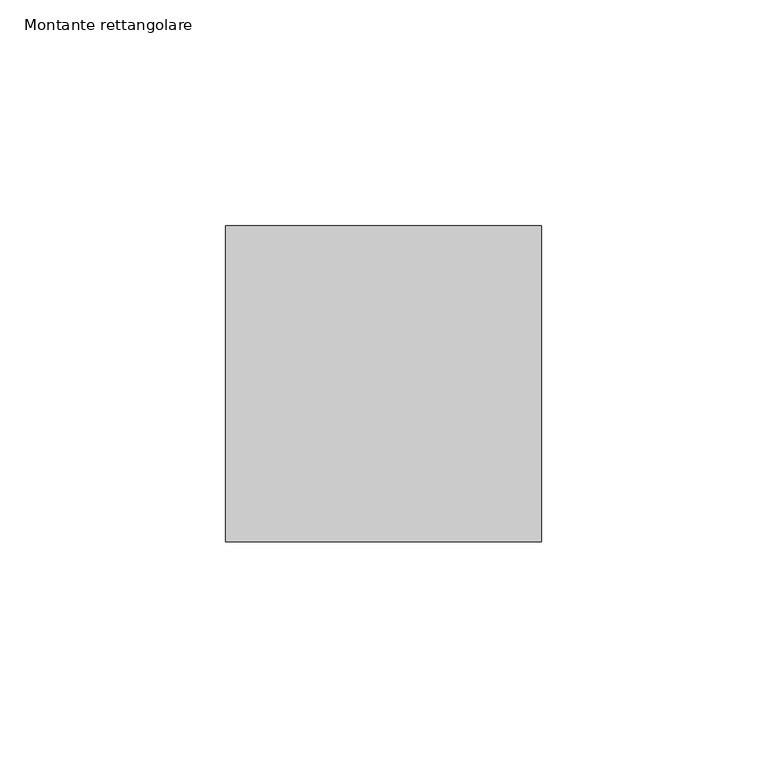
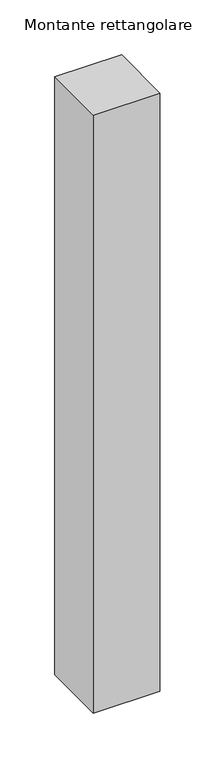
"""IFC4 building model written with IfcOpenShell, lengths in millimetres: member geometry, Montante rettangolare."""

from ifc_helpers import new_model, si_unit, frame, origin, place, context, project, spatial, polyline, outline, extrude, source, transform, mapped, element, save


def montante_rettangolare_7fac266e(model_context):
    return source(origin(), model_context, "Body", "SweptSolid", [
        extrude(outline(polyline([(35.0, 35.0), (35.0, -35.0), (-35.0, -35.0), (-35.0, 35.0), (35.0, 35.0)])), frame((0.0, 0.0, -664.3835829), z_axis=(0.0, 0.0, 1.0), x_axis=(1.0, 0.0, 0.0)), (0.0, 0.0, 1.0), 664.3835829),
    ])


if __name__ == "__main__":
    model = new_model("IFC4")
    model_context = context("Model", 3, world=origin())
    ifc_project = project(units=[si_unit("LENGTHUNIT", "METRE", prefix="MILLI")], contexts=[model_context])
    site = spatial("IfcSite", under=ifc_project)
    building = spatial("IfcBuilding", under=site)
    placement = place(None, origin())
    montante_rettangolare_shape = montante_rettangolare_7fac266e(model_context)
    element("IfcMember", 1, ObjectType="Montante rettangolare", at=placement, inside=building, context=model_context, shape_type="MappedRepresentation", body=[
        mapped(montante_rettangolare_shape, transform((0.0, 0.0, 0.0), x_axis=(1.0, 0.0, 0.0), y_axis=(0.0, 1.0, 0.0), z_axis=(0.0, 0.0, 1.0))),
    ])
    save(model, "model.ifc")
